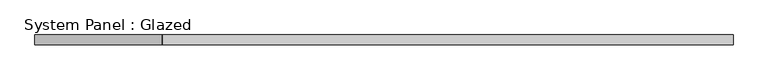
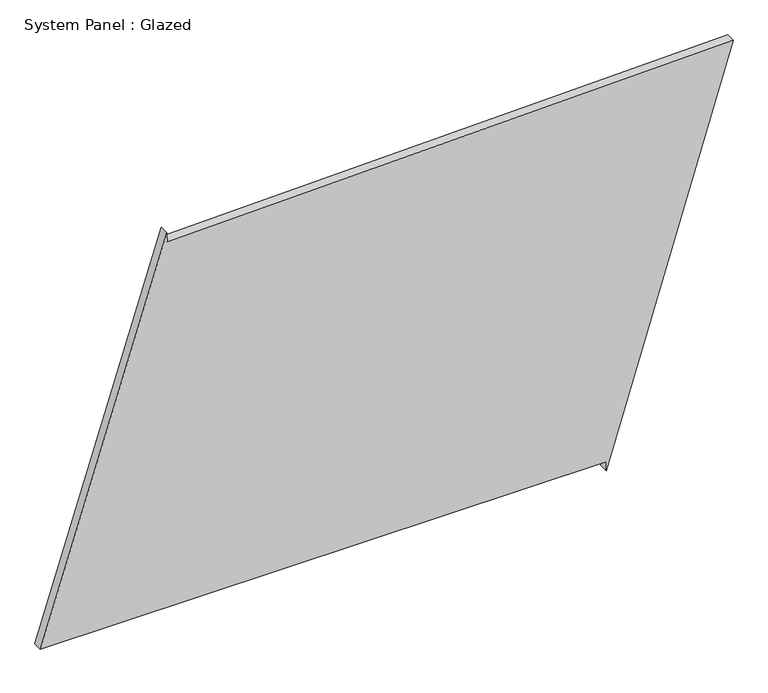
"""IFC4 building model written with IfcOpenShell, lengths in millimetres: plate geometry, System Panel : Glazed."""

from ifc_helpers import new_model, si_unit, frame, origin, place, context, project, spatial, polyline, outline, extrude, source, transform, mapped, element, save


def system_panel_glazed_7c630fe2(model_context):
    return source(origin(), model_context, "Body", "SweptSolid", [
        extrude(outline(polyline([(25.0, 574.6126699), (0.0, 574.6126699), (1074.421202, 906.5097294), (1036.5049345, -574.7842865), (1061.4967486, -575.423995), (25.0, -906.5097294), (25.0, 574.6126699)])), frame((0.0, -49.5, 0.0), z_axis=(0.0, 1.0, 0.0), x_axis=(0.0, 0.0, 1.0)), (0.0, 0.0, 1.0), 25.0),
    ])


if __name__ == "__main__":
    model = new_model("IFC4")
    model_context = context("Model", 3, world=origin())
    ifc_project = project(units=[si_unit("LENGTHUNIT", "METRE", prefix="MILLI")], contexts=[model_context])
    site = spatial("IfcSite", under=ifc_project)
    building = spatial("IfcBuilding", under=site)
    placement = place(None, origin())
    system_panel_glazed_shape = system_panel_glazed_7c630fe2(model_context)
    element("IfcPlate", 1, ObjectType="System Panel : Glazed", at=placement, inside=building, context=model_context, shape_type="MappedRepresentation", body=[
        mapped(system_panel_glazed_shape, transform((0.0, 0.0, 0.0), x_axis=(1.0, 0.0, 0.0), y_axis=(0.0, 1.0, 0.0), z_axis=(0.0, 0.0, 1.0))),
    ])
    save(model, "model.ifc")
